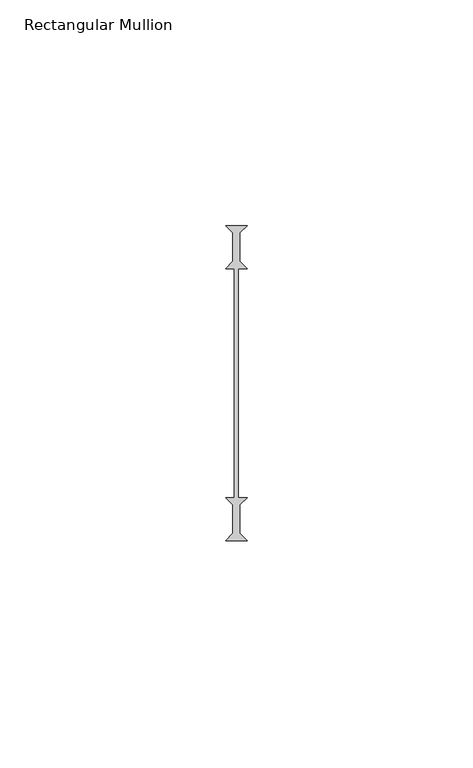
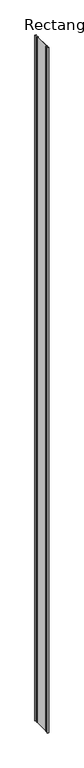
"""IFC4 building model written with IfcOpenShell, lengths in millimetres: member geometry, Rectangular Mullion."""

from ifc_helpers import new_model, si_unit, frame, origin, place, context, project, spatial, polyline, outline, extrude, source, transform, mapped, element, save


def rectangular_mullion_217c702e(model_context):
    return source(origin(), model_context, "Body", "SweptSolid", [
        extrude(outline(polyline([(-2.38125, -34.925), (-0.79375, -33.3375), (-0.79375, -26.9875), (-2.38125, -25.4), (-0.396875, -25.4), (-0.396875, 25.4), (-2.38125, 25.4), (-0.79375, 26.9875), (-0.79375, 33.3375), (-2.38125, 34.925), (2.38125, 34.925), (0.79375, 33.3375), (0.79375, 26.9875), (2.38125, 25.4), (0.396875, 25.4), (0.396875, -25.4), (2.38125, -25.4), (0.79375, -26.9875), (0.79375, -33.3375), (2.38125, -34.925), (-2.38125, -34.925)])), frame((0.0, 0.0, -2336.8), z_axis=(0.0, 0.0, 1.0), x_axis=(1.0, 0.0, 0.0)), (0.0, 0.0, 1.0), 2336.8),
    ])


if __name__ == "__main__":
    model = new_model("IFC4")
    model_context = context("Model", 3, world=origin())
    ifc_project = project(units=[si_unit("LENGTHUNIT", "METRE", prefix="MILLI")], contexts=[model_context])
    site = spatial("IfcSite", under=ifc_project)
    building = spatial("IfcBuilding", under=site)
    placement = place(None, origin())
    rectangular_mullion_shape = rectangular_mullion_217c702e(model_context)
    element("IfcMember", 1, ObjectType="Rectangular Mullion", at=placement, inside=building, context=model_context, shape_type="MappedRepresentation", body=[
        mapped(rectangular_mullion_shape, transform((0.0, 0.0, 0.0), x_axis=(1.0, 0.0, 0.0), y_axis=(0.0, 1.0, 0.0), z_axis=(0.0, 0.0, 1.0))),
    ])
    save(model, "model.ifc")
